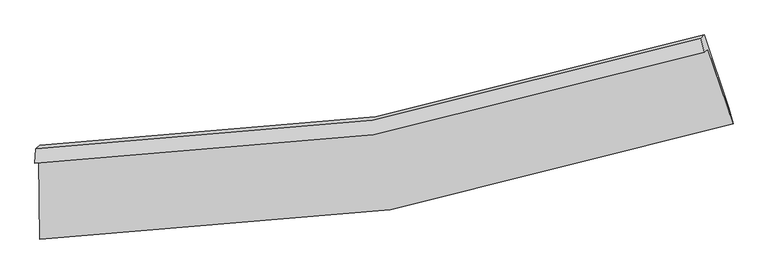
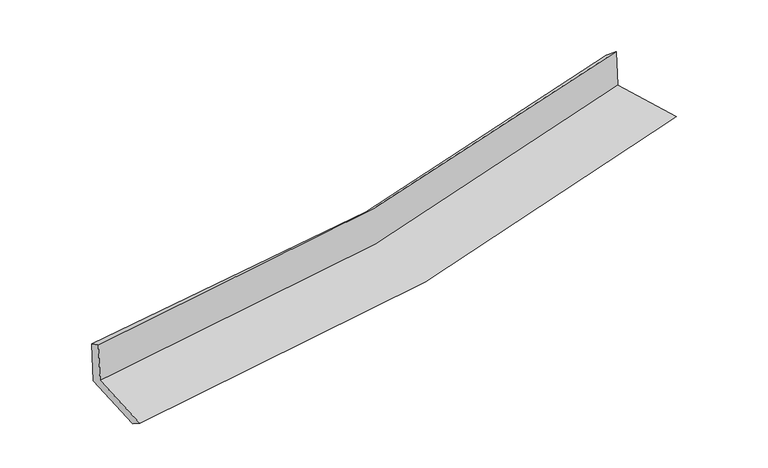
"""IFC4 building model written with IfcOpenShell, lengths in millimetres: proxy geometry."""

import ifcopenshell
import ifcopenshell.guid

model = None  # the IFC model being written
_history = None  # IfcOwnerHistory: only IFC2X3 demands one
_inside = {}  # id of a spatial element -> (the spatial element, [elements in it])
_under = {}  # id of a project, library or spatial element -> (it, [spatial elements below it])
_declared = {}  # id of a project -> (the project, [libraries it declares])
_typed = {}  # id of a type object -> (the type object, [elements of that type])
_made_of = {}  # id of a material, layer set ... -> (it, [elements and type objects made of it])


def new_model(schema):
    """Start an empty IFC model of exactly this schema.

    Asked for "IFC4X3", IfcOpenShell would pick the latest addendum, in which some entities
    have other attributes; the version numbers below select the first issue.
    IFC2X3 requires an IfcOwnerHistory on every rooted entity: one is made here for all.
    """
    global model, _history
    if schema == "IFC4X3":
        model = ifcopenshell.file(schema_version=(4, 3, 0, 0))
    else:
        model = ifcopenshell.file(schema=schema)
    _inside.clear()
    _under.clear()
    _declared.clear()
    _typed.clear()
    _made_of.clear()
    _history = None
    if model.schema == "IFC2X3":
        org = make("IfcOrganization", Name="unknown")
        user = make(
            "IfcPersonAndOrganization",
            ThePerson=make("IfcPerson", FamilyName="unknown"),
            TheOrganization=org,
        )
        app = make(
            "IfcApplication",
            ApplicationDeveloper=org,
            Version="unknown",
            ApplicationFullName="unknown",
            ApplicationIdentifier="unknown",
        )
        _history = make(
            "IfcOwnerHistory",
            OwningUser=user,
            OwningApplication=app,
            ChangeAction="ADDED",
            CreationDate=0,
        )
    return model


def make(cls, **values):
    """One entity of the class cls with the attributes given. An attribute that is None is left unset."""
    return model.create_entity(
        cls, **{name: value for name, value in values.items() if value is not None}
    )


def rooted(cls, **values):
    """An entity with a GlobalId (a new one), such as an element, a storey or a relation."""
    return make(cls, GlobalId=ifcopenshell.guid.new(), OwnerHistory=_history, **values)


def si_unit(unit_type, name, prefix=None):
    """IfcSIUnit, for example si_unit("LENGTHUNIT", "METRE", prefix="MILLI")."""
    return make("IfcSIUnit", UnitType=unit_type, Prefix=prefix, Name=name)


def assignment(units):
    """IfcUnitAssignment: the units of a project."""
    return None if units is None else make("IfcUnitAssignment", Units=units)


def point(xyz):
    """IfcCartesianPoint."""
    return None if xyz is None else make("IfcCartesianPoint", Coordinates=xyz)


def direction(xyz):
    """IfcDirection."""
    return None if xyz is None else make("IfcDirection", DirectionRatios=xyz)


def frame(location, z_axis=None, x_axis=None):
    """IfcAxis2Placement3D, a coordinate frame: its origin and axes. An axis left out is left unset."""
    return make(
        "IfcAxis2Placement3D",
        Location=point(location),
        Axis=direction(z_axis),
        RefDirection=direction(x_axis),
    )


def origin():
    """The frame at (0, 0, 0) with its axes left unset."""
    return frame((0.0, 0.0, 0.0))


def place(relative_to, where):
    """IfcLocalPlacement: puts the frame where relative to a parent placement (None: the world)."""
    return make(
        "IfcLocalPlacement", PlacementRelTo=relative_to, RelativePlacement=where
    )


def context(
    kind, dimensions, precision=None, world=None, true_north=None, identifier=None
):
    """IfcGeometricRepresentationContext, for example the 3D "Model" context."""
    return make(
        "IfcGeometricRepresentationContext",
        ContextIdentifier=identifier,
        ContextType=kind,
        CoordinateSpaceDimension=dimensions,
        Precision=precision,
        WorldCoordinateSystem=world,
        TrueNorth=true_north,
    )


def project(units=None, contexts=None):
    """IfcProject with its units and contexts."""
    return rooted(
        "IfcProject",
        Name="project",
        RepresentationContexts=contexts,
        UnitsInContext=assignment(units),
    )


def spatial(cls, under=None, at=None, **own):
    """A site, building, storey or space (cls), placed at a placement, below another one or the project."""
    s = rooted(cls, ObjectPlacement=at, **own)
    if under is not None:
        _under.setdefault(under.id(), (under, []))[1].append(s)
    return s


def shape(context_of_items, identifier, shape_type, items):
    """IfcShapeRepresentation: the items that make up one representation, for example the "Body"."""
    return make(
        "IfcShapeRepresentation",
        ContextOfItems=context_of_items,
        RepresentationIdentifier=identifier,
        RepresentationType=shape_type,
        Items=items,
    )


def source(mapping_origin, context_of_items, identifier, shape_type, items):
    """IfcRepresentationMap: a shape defined once, which mapped items show again and again."""
    return make(
        "IfcRepresentationMap",
        MappingOrigin=mapping_origin,
        MappedRepresentation=shape(context_of_items, identifier, shape_type, items),
    )


def transform(
    local_origin,
    x_axis=None,
    y_axis=None,
    z_axis=None,
    scale=None,
    scale2=None,
    scale3=None,
    uniform=True,
):
    """IfcCartesianTransformationOperator3D, or its non-uniform kind. x_axis, y_axis, z_axis: its Axis1, 2, 3."""
    if uniform:
        return make(
            "IfcCartesianTransformationOperator3D",
            Axis1=direction(x_axis),
            Axis2=direction(y_axis),
            LocalOrigin=point(local_origin),
            Scale=scale,
            Axis3=direction(z_axis),
        )
    return make(
        "IfcCartesianTransformationOperator3DnonUniform",
        Axis1=direction(x_axis),
        Axis2=direction(y_axis),
        LocalOrigin=point(local_origin),
        Scale=scale,
        Axis3=direction(z_axis),
        Scale2=scale2,
        Scale3=scale3,
    )


def mapped(mapping_source, mapping_target):
    """IfcMappedItem: shows the shape of a source again, moved by a transform."""
    return make(
        "IfcMappedItem", MappingSource=mapping_source, MappingTarget=mapping_target
    )


def made_of(thing, what):
    """Note that an element or type object is made of a material, layer set ...; save() writes the relation."""
    if what is not None:
        _made_of.setdefault(what.id(), (what, []))[1].append(thing)
    return thing


def element(
    cls,
    number,
    at=None,
    inside=None,
    cuts=None,
    type_object=None,
    material=None,
    context=None,
    identifier="Body",
    shape_type=None,
    held_by="IfcProductDefinitionShape",
    body=None,
    shapes=None,
    **own,
):
    """One element of the class cls, such as IfcWall. Its Tag is "e" and its number.

    at: its placement. inside: the storey or other place that contains it. cuts: it is an
    opening in that element (IfcRelVoidsElement). A single representation is given by context,
    identifier, shape_type and body (its items); several are given by shapes. held_by: the class
    of the entity that holds the representations. save() writes the other relations.
    """
    e = rooted(cls, Tag="e%d" % number, ObjectPlacement=at, **own)
    if body is not None:
        shapes = [shape(context, identifier, shape_type, body)]
    if shapes is not None:
        e.Representation = make(held_by, Representations=shapes)
    if inside is not None:
        _inside.setdefault(inside.id(), (inside, []))[1].append(e)
    if cuts is not None:
        rooted(
            "IfcRelVoidsElement", RelatingBuildingElement=cuts, RelatedOpeningElement=e
        )
    if type_object is not None:
        _typed.setdefault(type_object.id(), (type_object, []))[1].append(e)
    return made_of(e, material)


def aggregate(whole, parts):
    """IfcRelAggregates: a whole, such as a stair, and the parts it consists of."""
    return rooted("IfcRelAggregates", RelatingObject=whole, RelatedObjects=parts)


def save(model, path):
    """Write the relations noted so far, then the file.

    IfcRelAggregates (storeys below a building ...), IfcRelContainedInSpatialStructure (elements
    in a storey), IfcRelDefinesByType, IfcRelAssociatesMaterial and IfcRelDeclares: one each for
    every whole, place, type object, material and project.
    """
    for whole, parts in _under.values():
        aggregate(whole, parts)
    for where, things in _inside.values():
        rooted(
            "IfcRelContainedInSpatialStructure",
            RelatedElements=things,
            RelatingStructure=where,
        )
    for kind, things in _typed.values():
        rooted("IfcRelDefinesByType", RelatedObjects=things, RelatingType=kind)
    for what, things in _made_of.values():
        rooted("IfcRelAssociatesMaterial", RelatedObjects=things, RelatingMaterial=what)
    for by, libraries in _declared.values():
        rooted("IfcRelDeclares", RelatingContext=by, RelatedDefinitions=libraries)
    model.write(path)


def plane_surface(at):
    """IfcPlane: the flat surface through the origin of the frame at, square to its z axis."""
    return make("IfcPlane", Position=at)


def spline_curve(degree, points, multiplicities, knots, weights=None):
    """IfcBSplineCurveWithKnots; with weights, IfcRationalBSplineCurveWithKnots."""
    own = dict(
        Degree=degree,
        ControlPointsList=[point(p) for p in points],
        CurveForm="UNSPECIFIED",
        ClosedCurve=False,
        SelfIntersect=False,
        KnotMultiplicities=multiplicities,
        Knots=knots,
        KnotSpec="UNSPECIFIED",
    )
    if weights is None:
        return make("IfcBSplineCurveWithKnots", **own)
    return make("IfcRationalBSplineCurveWithKnots", WeightsData=weights, **own)


def spline_surface(u_degree, v_degree, points, u_multiplicities, v_multiplicities, u_knots, v_knots, weights=None):
    """IfcBSplineSurfaceWithKnots; with weights, IfcRationalBSplineSurfaceWithKnots. points: one row for each step in u."""
    own = dict(
        UDegree=u_degree,
        VDegree=v_degree,
        ControlPointsList=[[point(p) for p in row] for row in points],
        SurfaceForm="UNSPECIFIED",
        UClosed=False,
        VClosed=False,
        SelfIntersect=False,
        UMultiplicities=u_multiplicities,
        VMultiplicities=v_multiplicities,
        UKnots=u_knots,
        VKnots=v_knots,
        KnotSpec="UNSPECIFIED",
    )
    if weights is None:
        return make("IfcBSplineSurfaceWithKnots", **own)
    return make("IfcRationalBSplineSurfaceWithKnots", WeightsData=weights, **own)


def advanced_brep(points, edges, surfaces, faces):
    """IfcAdvancedBrep: a solid bounded by faces that lie on surfaces and meet in shared edges.

    An edge is (start, end): straight between two places in points (the first is 0);
    or (start, end, curve); or (start, end, curve, False) where it runs against its curve.
    A face is (place in surfaces, loops), or (place, loops, False) where it looks against
    its surface's normal. A loop lists edges by number (the first is 1), with a minus sign
    where the edge is run from its end to its start. The first loop is the outer one.
    """
    corners = [point(p) for p in points]
    vertices = [make("IfcVertexPoint", VertexGeometry=c) for c in corners]
    made = []
    for start, end, *more in edges:
        made.append(
            make(
                "IfcEdgeCurve",
                EdgeStart=vertices[start],
                EdgeEnd=vertices[end],
                EdgeGeometry=more[0] if more else make("IfcPolyline", Points=[corners[start], corners[end]]),
                SameSense=more[1] if len(more) > 1 else True,
            )
        )
    hull = []
    for where, loops, *sense in faces:
        bounds = []
        for j, loop in enumerate(loops):
            ring = [make("IfcOrientedEdge", EdgeElement=made[abs(k) - 1], Orientation=k > 0) for k in loop]
            bounds.append(
                make(
                    "IfcFaceOuterBound" if j == 0 else "IfcFaceBound",
                    Bound=make("IfcEdgeLoop", EdgeList=ring),
                    Orientation=True,
                )
            )
        hull.append(make("IfcAdvancedFace", Bounds=bounds, FaceSurface=surfaces[where], SameSense=sense[0] if sense else True))
    return make("IfcAdvancedBrep", Outer=make("IfcClosedShell", CfsFaces=hull))


def generic_models_70a27628(model_context):
    return source(origin(), model_context, "Body", "AdvancedBrep", [
        advanced_brep(
        [(-2919.4113163, -1884.3923121, 1612.6767464), (-2912.6278529, -2565.3129548, 1565.7995364), (3058.9606266, -1571.2819479, 2138.3109652), (2842.5664437, -931.2111401, 2164.979983), (-2953.4168893, -1912.9944237, 2023.2193664), (2810.8500674, -957.8878067, 2547.8855802), (-2948.0605485, -1786.1373127, 1952.3133173), (2780.4631262, -834.4608927, 2446.114401), (-2912.8997605, -1756.5635491, 1527.8240135), (2812.1795025, -807.7842261, 2063.2088039), (-2906.1653868, -2432.5565965, 1481.2860382), (3023.6715518, -1433.355048, 2037.1439386)],
        [
            (0, 1),
            (1, 2, spline_curve(3, [(-2912.6278529, -2565.3129548, 1565.7995364), (-1892.42979506, -2562.12818148, 1666.903671253), (-885.462227939, -2477.958413484, 1765.094391813), (1105.150983085, -2147.127190527, 1955.949969851), (2088.712909457, -1899.953289449, 2048.596392332), (3058.9606266, -1571.2819479, 2138.3109652)], [4, 2, 4], [0.0, 9.822543165052947, 19.676114203212585])),
            (2, 3),
            (3, 0, spline_curve(3, [(2842.5664437, -931.2111401, 2164.979983), (1905.586337987, -1244.849607955, 2079.068318688), (956.154680892, -1481.104027489, 1990.009683608), (-964.582866442, -1798.344503192, 1805.888817081), (-1935.810462386, -1879.817141096, 1710.846373236), (-2919.4113163, -1884.3923121, 1612.6767464)], [4, 2, 4], [0.0, 9.853571038159638, 19.676114203212585])),
            (4, 0),
            (3, 5),
            (5, 4, spline_curve(3, [(2810.8500674, -957.8878067, 2547.8855802), (1872.882753253, -1272.356616085, 2473.892288917), (922.766901784, -1509.186511913, 2393.093797275), (-998.731805437, -1827.067200197, 2218.162269063), (-1970.038273056, -1908.606176729, 2124.072022485), (-2953.4168893, -1912.9944237, 2023.2193664)], [4, 2, 4], [0.0, 9.674287451669974, 19.318111575650363])),
            (6, 4),
            (5, 7),
            (7, 6, spline_curve(3, [(2780.4631262, -834.4608927, 2446.114401), (1850.008977048, -1147.561022415, 2360.019123242), (906.631792438, -1383.420905424, 2275.75939308), (-1002.95735784, -1700.160701594, 2111.17057372), (-1969.088064529, -1781.5262917, 2030.829942464), (-2948.0605485, -1786.1373127, 1952.3133173)], [4, 2, 4], [0.0, 9.642761678830174, 19.255159301359324])),
            (8, 6),
            (7, 9),
            (9, 8, spline_curve(3, [(2812.1795025, -807.7842261, 2063.2088039), (1882.089415128, -1120.578143158, 1972.718279049), (939.181914697, -1356.042974394, 1882.788144384), (-969.258434079, -1671.816513145, 1704.330071071), (-1934.710687933, -1752.611455884, 1615.798609247), (-2912.8997605, -1756.5635491, 1527.8240135)], [4, 2, 4], [0.0, 9.611050561388804, 19.191836921496073])),
            (10, 8),
            (9, 11),
            (11, 10, spline_curve(3, [(3023.6715518, -1433.355048, 2037.1439386), (2061.012644723, -1758.863041538, 1943.069934732), (1084.729416627, -2004.890001247, 1849.639408691), (-891.968564038, -2337.457417108, 1664.357487701), (-1892.297649086, -2424.497640321, 1572.502047308), (-2906.1653868, -2432.5565965, 1481.2860382)], [4, 2, 4], [0.0, 9.784911774375892, 19.53901187654485])),
            (1, 10),
            (11, 2),
        ],
        [
            spline_surface(3, 3, [[(-2919.4113163, -1884.3923121, 1612.6767464), (-1935.810462469, -1879.817141128, 1710.846373374), (-964.582866363, -1798.344503319, 1805.888817017), (956.154680813, -1481.104027362, 1990.009683673), (1905.586338004, -1244.849607839, 2079.068318851), (2842.5664437, -931.2111401, 2164.979983)], [(-2917.150161839, -2111.365859651, 1597.05100974), (-1921.350239972, -2107.254154569, 1696.198806034), (-938.209320263, -2024.882473417, 1792.290675271), (1005.820114954, -1703.111748421, 1978.656445724), (1966.628528486, -1463.2175017, 2068.911009991), (2914.697837998, -1144.568076029, 2156.090310389)], [(-2914.889007361, -2338.339407249, 1581.42527306), (-1906.890017459, -2334.691168057, 1681.551238672), (-911.835774176, -2251.420443445, 1778.692533554), (1055.485549082, -1925.119469409, 1967.303207805), (2027.670718976, -1681.585395574, 2058.753701163), (2986.829232302, -1357.925011971, 2147.200637811)], [(-2912.6278529, -2565.3129548, 1565.7995364), (-1892.429794962, -2562.128181498, 1666.903671332), (-885.462228076, -2477.958413543, 1765.094391808), (1105.150983222, -2147.127190468, 1955.949969856), (2088.712909459, -1899.953289435, 2048.596392303), (3058.9606266, -1571.2819479, 2138.3109652)]], [4, 4], [4, 2, 4], [0.0, 2.2422575580204454], [0.0, 9.822543165052947, 19.676114203212585]),
            spline_surface(3, 3, [[(-2953.4168893, -1912.9944237, 2023.2193664), (-1970.038272924, -1908.606176809, 2124.072022624), (-998.731805536, -1827.067200243, 2218.162269083), (922.766901883, -1509.186511867, 2393.093797254), (1872.882753376, -1272.356616063, 2473.892288775), (2810.8500674, -957.8878067, 2547.8855802)], [(-2942.08169831, -1903.460386523, 1886.371826376), (-1958.629002782, -1899.009831605, 1986.330139517), (-987.348825814, -1817.49296793, 2080.737785062), (933.896161524, -1499.825683693, 2258.732426062), (1883.783948251, -1263.187613327, 2342.284298823), (2821.422192832, -948.995584504, 2420.250381156)], [(-2930.74650729, -1893.926349277, 1749.524286424), (-1947.219732611, -1889.413486333, 1848.588256481), (-975.965846085, -1807.918735632, 1943.313301038), (945.025421172, -1490.464855535, 2124.371054866), (1894.685143129, -1254.018610576, 2210.676308803), (2831.994318268, -940.103362296, 2292.615182044)], [(-2919.4113163, -1884.3923121, 1612.6767464), (-1935.810462469, -1879.817141128, 1710.846373374), (-964.582866363, -1798.344503319, 1805.888817017), (956.154680813, -1481.104027362, 1990.009683673), (1905.586338004, -1244.849607839, 2079.068318851), (2842.5664437, -931.2111401, 2164.979983)]], [4, 4], [4, 2, 4], [0.0, 1.3452924797048547], [0.0, 9.643824123980389, 19.318111575650363]),
            spline_surface(3, 3, [[(-2948.0605485, -1786.1373127, 1952.3133173), (-1969.088064606, -1781.526291798, 2030.829942458), (-1002.957357704, -1700.160701593, 2111.170573625), (906.631792302, -1383.420905425, 2275.759393175), (1850.008977003, -1147.561022306, 2360.019123212), (2780.4631262, -834.4608927, 2446.114401)], [(-2949.845995443, -1828.42301634, 1975.948667019), (-1969.404800721, -1823.886253442, 2061.910635865), (-1001.548840334, -1742.462867814, 2146.834472117), (912.010162143, -1425.342774243, 2314.870861207), (1857.633569145, -1189.159553555, 2397.976845047), (2790.592106618, -875.603197363, 2480.03812738)], [(-2951.631442357, -1870.70872006, 1999.584016681), (-1969.721536808, -1866.246215165, 2092.991329217), (-1000.140322906, -1784.765034023, 2182.498370592), (917.388532043, -1467.264643049, 2353.982329222), (1865.258161234, -1230.758084815, 2435.93456694), (2800.721086982, -916.745502037, 2513.96185382)], [(-2953.4168893, -1912.9944237, 2023.2193664), (-1970.038272924, -1908.606176809, 2124.072022624), (-998.731805536, -1827.067200243, 2218.162269083), (922.766901883, -1509.186511867, 2393.093797254), (1872.882753376, -1272.356616063, 2473.892288775), (2810.8500674, -957.8878067, 2547.8855802)]], [4, 4], [4, 2, 4], [0.0, 0.5553111955957464], [0.0, 9.61239762252915, 19.255159301359324]),
            spline_surface(3, 3, [[(-2912.8997605, -1756.5635491, 1527.8240135), (-1934.710687848, -1752.611455949, 1615.798609097), (-969.258434021, -1671.81651304, 1704.33007116), (939.181914639, -1356.042974499, 1882.788144296), (1882.089415127, -1120.578143047, 1972.718279033), (2812.1795025, -807.7842261, 2063.2088039)], [(-2924.620023139, -1766.421470314, 1669.320448096), (-1946.169813406, -1762.24973458, 1754.14238688), (-980.491408558, -1681.264575887, 1839.943571976), (928.331873884, -1365.16895147, 2013.778560583), (1871.395935754, -1129.572436129, 2101.818560437), (2801.607377068, -816.676448296, 2190.844002944)], [(-2936.340285861, -1776.279391486, 1810.816882704), (-1957.628939048, -1771.888013168, 1892.486164675), (-991.724383167, -1690.712638747, 1975.55707281), (917.481833057, -1374.294928454, 2144.768976888), (1860.702456376, -1138.566729224, 2230.918841808), (2791.035251632, -825.568670504, 2318.479201956)], [(-2948.0605485, -1786.1373127, 1952.3133173), (-1969.088064606, -1781.526291798, 2030.829942458), (-1002.957357704, -1700.160701593, 2111.170573625), (906.631792302, -1383.420905425, 2275.759393175), (1850.008977003, -1147.561022306, 2360.019123212), (2780.4631262, -834.4608927, 2446.114401)]], [4, 4], [4, 2, 4], [0.0, 1.3196176456908213], [0.0, 9.580786360107268, 19.191836921496073]),
            spline_surface(3, 3, [[(-2906.1653868, -2432.5565965, 1481.2860382), (-1892.297649181, -2424.497640218, 1572.502047324), (-891.968564165, -2337.45741712, 1664.357487859), (1084.729416755, -2004.890001235, 1849.639408533), (2061.012644604, -1758.863041532, 1943.069934835), (3023.6715518, -1433.355048, 2037.1439386)], [(-2908.410178042, -2207.225580687, 1496.798696623), (-1906.435328745, -2200.535578781, 1586.934234572), (-917.731854115, -2115.577115753, 1677.681682285), (1036.213582719, -1788.607658982, 1860.688987113), (2001.371568112, -1546.10140872, 1952.952716243), (2953.174202033, -1224.831440717, 2045.832227042)], [(-2910.654969258, -1981.894564913, 1512.311355077), (-1920.573008284, -1976.573517386, 1601.366421849), (-943.495144072, -1893.696814408, 1691.005876734), (987.697748674, -1572.325316752, 1871.738565716), (1941.730491619, -1333.339775859, 1962.835497625), (2882.676852267, -1016.307833383, 2054.520515458)], [(-2912.8997605, -1756.5635491, 1527.8240135), (-1934.710687848, -1752.611455949, 1615.798609097), (-969.258434021, -1671.81651304, 1704.33007116), (939.181914639, -1356.042974499, 1882.788144296), (1882.089415127, -1120.578143047, 1972.718279033), (2812.1795025, -807.7842261, 2063.2088039)]], [4, 4], [4, 2, 4], [0.0, 2.1903355303003167], [0.0, 9.754100102168959, 19.53901187654485]),
            spline_surface(3, 3, [[(-2912.6278529, -2565.3129548, 1565.7995364), (-1892.429794962, -2562.128181498, 1666.903671332), (-885.462228076, -2477.958413543, 1765.094391808), (1105.150983222, -2147.127190468, 1955.949969856), (2088.712909459, -1899.953289435, 2048.596392303), (3058.9606266, -1571.2819479, 2138.3109652)], [(-2910.473697528, -2521.060835386, 1537.628370346), (-1892.385746363, -2516.251334423, 1635.436463341), (-887.631006781, -2431.124748059, 1731.515423842), (1098.343794391, -2099.714794047, 1920.513116098), (2079.479487826, -1852.923206792, 2013.420906469), (3047.197601651, -1525.306314592, 2104.588622989)], [(-2908.319542172, -2476.808715914, 1509.457204254), (-1892.34169778, -2470.374487292, 1603.969255315), (-889.79978546, -2384.291082604, 1697.936455825), (1091.536605586, -2052.302397656, 1885.076262291), (2070.246066238, -1805.893124174, 1978.245420669), (3035.434576749, -1479.330681308, 2070.866280811)], [(-2906.1653868, -2432.5565965, 1481.2860382), (-1892.297649181, -2424.497640218, 1572.502047324), (-891.968564165, -2337.45741712, 1664.357487859), (1084.729416755, -2004.890001235, 1849.639408533), (2061.012644604, -1758.863041532, 1943.069934835), (3023.6715518, -1433.355048, 2037.1439386)]], [4, 4], [4, 2, 4], [0.0, 0.5765961753834634], [0.0, 9.964463289144453, 19.96040275480619]),
            plane_surface(frame((2888.1152197, -1089.3301769, 2232.940612), z_axis=(0.9438245627298135, 0.3149153261819829, 0.10011759147907862), x_axis=(-0.0823498501896244, -0.06926451737258085, 0.9941936073053829))),
            plane_surface(frame((-2925.4302924, -2056.3261915, 1693.8531697), z_axis=(-0.9965539296882827, -0.004224858123061832, -0.08283969939999337), x_axis=(-0.009938178735950008, 0.9975893830664921, 0.06867791054209517))),
        ],
        [
            (0, [[1, 2, 3, 4]]),
            (1, [[5, -4, 6, 7]]),
            (2, [[8, -7, 9, 10]]),
            (3, [[11, -10, 12, 13]]),
            (4, [[14, -13, 15, 16]]),
            (5, [[17, -16, 18, -2]]),
            (6, [[-12, -9, -6, -3, -18, -15]]),
            (7, [[-1, -5, -8, -11, -14, -17]]),
        ],
    ),
    ])


if __name__ == "__main__":
    model = new_model("IFC4")
    model_context = context("Model", 3, world=origin())
    ifc_project = project(units=[si_unit("LENGTHUNIT", "METRE", prefix="MILLI")], contexts=[model_context])
    site = spatial("IfcSite", under=ifc_project)
    building = spatial("IfcBuilding", under=site)
    placement = place(None, origin())
    generic_models_shape = generic_models_70a27628(model_context)
    element("IfcBuildingElementProxy", 1, Name="Generic Models", at=placement, inside=building, context=model_context, shape_type="MappedRepresentation", body=[
        mapped(generic_models_shape, transform((0.0, 0.0, 0.0), x_axis=(1.0, 0.0, 0.0), y_axis=(0.0, 1.0, 0.0), z_axis=(0.0, 0.0, 1.0))),
    ])
    save(model, "model.ifc")
